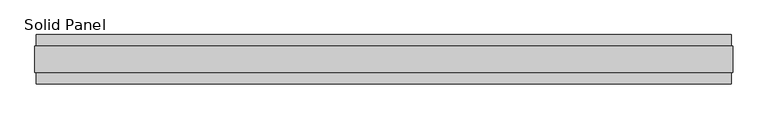
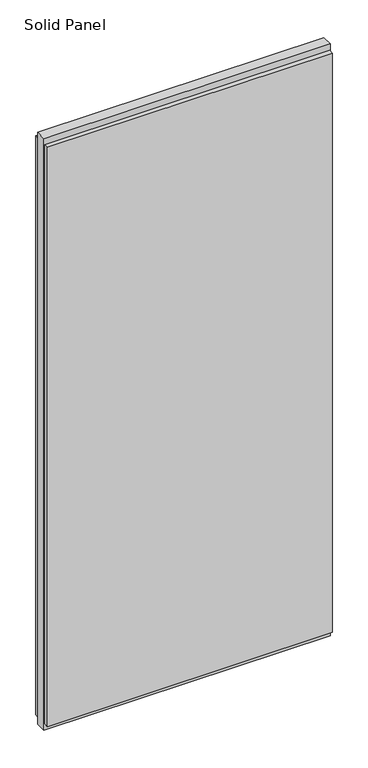
"""IFC4 building model written with IfcOpenShell, lengths in millimetres: plate geometry, Solid Panel."""

from ifc_helpers import new_model, si_unit, frame, origin, origin_with_axes, place, context, project, spatial, polyline, outline, extrude, source, transform, mapped, element, save


def solid_panel_dd5c0cf4(model_context):
    return source(origin(), model_context, "Body", "SweptSolid", [
        extrude(outline(polyline([(682.8028, -48.4531867), (-682.8028, -48.4531867), (-682.8028, -25.9961), (682.8028, -25.9961), (682.8028, -48.4531867)])), frame((0.0, 0.0, 32.004), z_axis=(0.0, 0.0, 1.0), x_axis=(1.0, 0.0, 0.0)), (0.0, 0.0, 1.0), 2933.192),
        extrude(outline(polyline([(682.8028, 25.9977), (-682.8028, 25.9977), (-682.8028, 48.4547867), (682.8028, 48.4547867), (682.8028, 25.9977)])), frame((0.0, 0.0, 32.004), z_axis=(0.0, 0.0, 1.0), x_axis=(1.0, 0.0, 0.0)), (0.0, 0.0, 1.0), 2933.192),
        extrude(outline(polyline([(685.8, -25.9961), (-685.8, -25.9961), (-685.8, 25.9977), (685.8, 25.9977), (685.8, -25.9961)])), origin_with_axes(), (0.0, 0.0, 1.0), 2997.2),
    ])


if __name__ == "__main__":
    model = new_model("IFC4")
    model_context = context("Model", 3, world=origin())
    ifc_project = project(units=[si_unit("LENGTHUNIT", "METRE", prefix="MILLI")], contexts=[model_context])
    site = spatial("IfcSite", under=ifc_project)
    building = spatial("IfcBuilding", under=site)
    placement = place(None, origin())
    solid_panel_shape = solid_panel_dd5c0cf4(model_context)
    element("IfcPlate", 1, ObjectType="Solid Panel", at=placement, inside=building, context=model_context, shape_type="MappedRepresentation", body=[
        mapped(solid_panel_shape, transform((0.0, 0.0, 0.0), x_axis=(1.0, 0.0, 0.0), y_axis=(0.0, 1.0, 0.0), z_axis=(0.0, 0.0, 1.0))),
    ])
    save(model, "model.ifc")
